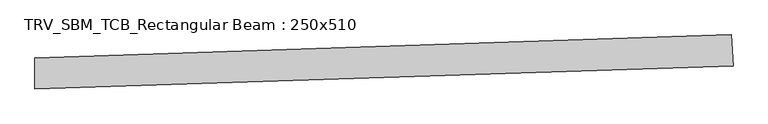
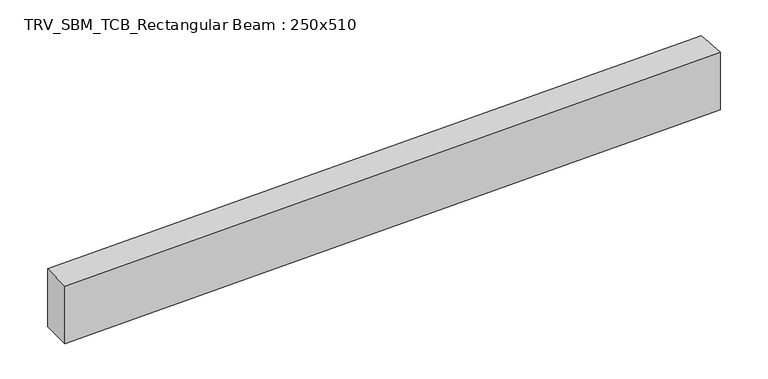
"""IFC4 building model written with IfcOpenShell, lengths in millimetres: beam geometry, TRV_SBM_TCB_Rectangular Beam : 250x510."""

from ifc_helpers import new_model, si_unit, point, frame, frame_2d, origin, place, context, project, spatial, polyline, circle_curve, trimmed, segment, composite_curve, outline, extrude, source, transform, mapped, element, save


def trv_sbm_tcb_rectangular_beam_250x510_00ac541d(model_context):
    return source(origin(), model_context, "Body", "SweptSolid", [
        extrude(outline(composite_curve([segment(polyline([(5557.9301285, 310.6004425), (5574.608433, 61.1573946)]), True, "CONTINUOUS"), segment(trimmed(circle_curve(frame_2d((0.0, 83435.7788327)), 83560.7788327), [point((5574.608433, 61.1573946))], [point((-12.7206399, -124.9990318))], False, "CARTESIAN"), True, "CONTINUOUS"), segment(polyline([(-12.7206399, -124.9990318), (-12.6825819, 125.0009653)]), True, "CONTINUOUS"), segment(trimmed(circle_curve(frame_2d((0.0, 83435.7788327)), 83310.7788327), [point((-12.6825819, 125.0009653))], [point((5557.9301285, 310.6004425))], True, "CARTESIAN"), True, "CONTINUOUS")], self_intersect=False)), frame((0.0, 0.0, -255.0), z_axis=(0.0, 0.0, 1.0), x_axis=(1.0, 0.0, 0.0)), (0.0, 0.0, 1.0), 510.0),
    ])


if __name__ == "__main__":
    model = new_model("IFC4")
    model_context = context("Model", 3, world=origin())
    ifc_project = project(units=[si_unit("LENGTHUNIT", "METRE", prefix="MILLI")], contexts=[model_context])
    site = spatial("IfcSite", under=ifc_project)
    building = spatial("IfcBuilding", under=site)
    placement = place(None, origin())
    trv_sbm_tcb_rectangular_beam_250x510_shape = trv_sbm_tcb_rectangular_beam_250x510_00ac541d(model_context)
    element("IfcBeam", 1, ObjectType="TRV_SBM_TCB_Rectangular Beam : 250x510", at=placement, inside=building, context=model_context, shape_type="MappedRepresentation", body=[
        mapped(trv_sbm_tcb_rectangular_beam_250x510_shape, transform((0.0, 0.0, 0.0), x_axis=(1.0, 0.0, 0.0), y_axis=(0.0, 1.0, 0.0), z_axis=(0.0, 0.0, 1.0))),
    ])
    save(model, "model.ifc")
